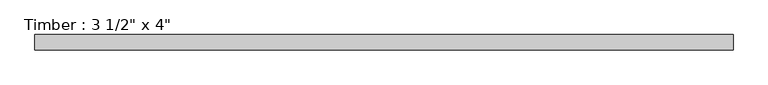
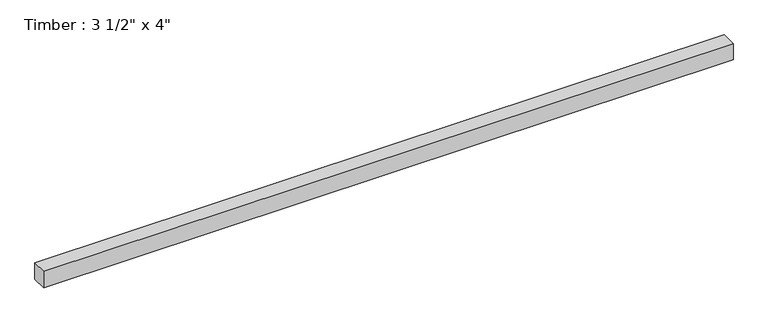
"""IFC4 building model written with IfcOpenShell, lengths in millimetres: beam geometry."""

from ifc_helpers import new_model, si_unit, frame, origin, place, context, project, spatial, polyline, outline, extrude, source, transform, mapped, element, save


def beam_b42fe5b0(model_context):
    return source(origin(), model_context, "Body", "SweptSolid", [
        extrude(outline(polyline([(2032.3252955, -44.45), (-2032.3252955, -44.45), (-2032.3252955, 44.45), (2032.3252955, 44.45), (2032.3252955, -44.45)])), frame((0.0, 0.0, -50.8), z_axis=(0.0, 0.0, 1.0), x_axis=(1.0, 0.0, 0.0)), (0.0, 0.0, 1.0), 101.6),
    ])


if __name__ == "__main__":
    model = new_model("IFC4")
    model_context = context("Model", 3, world=origin())
    ifc_project = project(units=[si_unit("LENGTHUNIT", "METRE", prefix="MILLI")], contexts=[model_context])
    site = spatial("IfcSite", under=ifc_project)
    building = spatial("IfcBuilding", under=site)
    placement = place(None, origin())
    beam_shape = beam_b42fe5b0(model_context)
    element("IfcBeam", 1, ObjectType="Timber : 3 1/2\" x 4\"", at=placement, inside=building, context=model_context, shape_type="MappedRepresentation", body=[
        mapped(beam_shape, transform((0.0, 0.0, 0.0), x_axis=(1.0, 0.0, 0.0), y_axis=(0.0, 1.0, 0.0), z_axis=(0.0, 0.0, 1.0))),
    ])
    save(model, "model.ifc")
